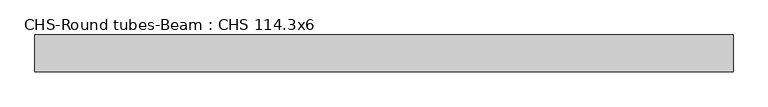
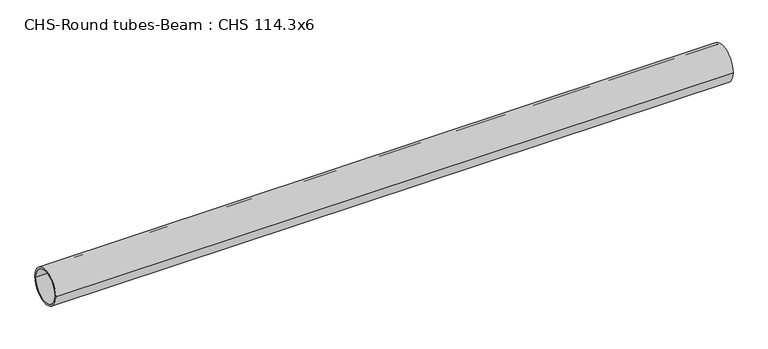
"""IFC4 building model written with IfcOpenShell, lengths in millimetres: beam geometry, CHS-Round tubes-Beam : CHS 114.3x6."""

from ifc_helpers import new_model, si_unit, point, frame, origin, origin_2d, place, context, project, spatial, circle_curve, trimmed, segment, composite_curve, outline, extrude, source, transform, mapped, element, save


def chs_round_tubes_beam_chs_114_3x6_6c4a3411(model_context):
    return source(origin(), model_context, "Body", "SweptSolid", [
        extrude(outline(composite_curve([segment(trimmed(circle_curve(origin_2d(), 57.15), [point((57.15, 0.0))], [point((-57.15, 0.0))], False, "CARTESIAN"), True, "CONTINUOUS"), segment(trimmed(circle_curve(origin_2d(), 57.15), [point((-57.15, 0.0))], [point((57.15, 0.0))], False, "CARTESIAN"), True, "CONTINUOUS")], self_intersect=False), holes=[composite_curve([segment(trimmed(circle_curve(origin_2d(), 51.15), [point((51.15, 0.0))], [point((-51.15, 0.0))], True, "CARTESIAN"), True, "CONTINUOUS"), segment(trimmed(circle_curve(origin_2d(), 51.15), [point((-51.15, 0.0))], [point((51.15, 0.0))], True, "CARTESIAN"), True, "CONTINUOUS")], self_intersect=False)]), frame((-1038.1212135, 0.0, 0.0), z_axis=(1.0, 0.0, 0.0), x_axis=(0.0, 1.0, 0.0)), (0.0, 0.0, 1.0), 2152.278242),
    ])


if __name__ == "__main__":
    model = new_model("IFC4")
    model_context = context("Model", 3, world=origin())
    ifc_project = project(units=[si_unit("LENGTHUNIT", "METRE", prefix="MILLI")], contexts=[model_context])
    site = spatial("IfcSite", under=ifc_project)
    building = spatial("IfcBuilding", under=site)
    placement = place(None, origin())
    chs_round_tubes_beam_chs_114_3x6_shape = chs_round_tubes_beam_chs_114_3x6_6c4a3411(model_context)
    element("IfcBeam", 1, ObjectType="CHS-Round tubes-Beam : CHS 114.3x6", at=placement, inside=building, context=model_context, shape_type="MappedRepresentation", body=[
        mapped(chs_round_tubes_beam_chs_114_3x6_shape, transform((0.0, 0.0, 0.0), x_axis=(1.0, 0.0, 0.0), y_axis=(0.0, 1.0, 0.0), z_axis=(0.0, 0.0, 1.0))),
    ])
    save(model, "model.ifc")
